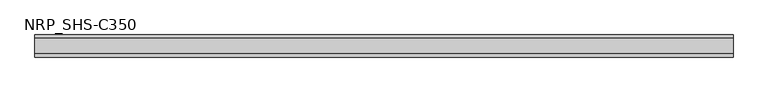
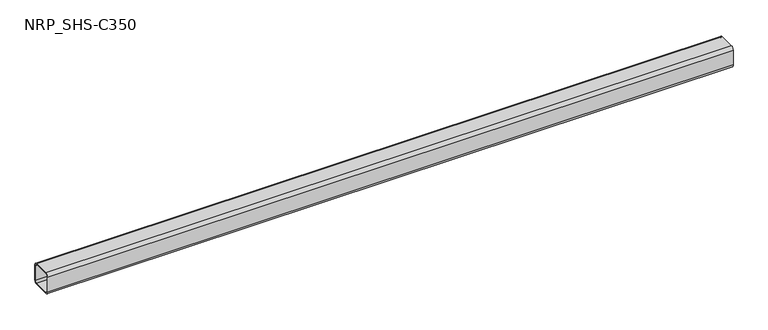
"""IFC4 building model written with IfcOpenShell, lengths in millimetres: member geometry, NRP_SHS-C350."""

import ifcopenshell
import ifcopenshell.guid

model = None  # the IFC model being written
_history = None  # IfcOwnerHistory: only IFC2X3 demands one
_inside = {}  # id of a spatial element -> (the spatial element, [elements in it])
_under = {}  # id of a project, library or spatial element -> (it, [spatial elements below it])
_declared = {}  # id of a project -> (the project, [libraries it declares])
_typed = {}  # id of a type object -> (the type object, [elements of that type])
_made_of = {}  # id of a material, layer set ... -> (it, [elements and type objects made of it])


def new_model(schema):
    """Start an empty IFC model of exactly this schema.

    Asked for "IFC4X3", IfcOpenShell would pick the latest addendum, in which some entities
    have other attributes; the version numbers below select the first issue.
    IFC2X3 requires an IfcOwnerHistory on every rooted entity: one is made here for all.
    """
    global model, _history
    if schema == "IFC4X3":
        model = ifcopenshell.file(schema_version=(4, 3, 0, 0))
    else:
        model = ifcopenshell.file(schema=schema)
    _inside.clear()
    _under.clear()
    _declared.clear()
    _typed.clear()
    _made_of.clear()
    _history = None
    if model.schema == "IFC2X3":
        org = make("IfcOrganization", Name="unknown")
        user = make(
            "IfcPersonAndOrganization",
            ThePerson=make("IfcPerson", FamilyName="unknown"),
            TheOrganization=org,
        )
        app = make(
            "IfcApplication",
            ApplicationDeveloper=org,
            Version="unknown",
            ApplicationFullName="unknown",
            ApplicationIdentifier="unknown",
        )
        _history = make(
            "IfcOwnerHistory",
            OwningUser=user,
            OwningApplication=app,
            ChangeAction="ADDED",
            CreationDate=0,
        )
    return model


def make(cls, **values):
    """One entity of the class cls with the attributes given. An attribute that is None is left unset."""
    return model.create_entity(
        cls, **{name: value for name, value in values.items() if value is not None}
    )


def rooted(cls, **values):
    """An entity with a GlobalId (a new one), such as an element, a storey or a relation."""
    return make(cls, GlobalId=ifcopenshell.guid.new(), OwnerHistory=_history, **values)


def si_unit(unit_type, name, prefix=None):
    """IfcSIUnit, for example si_unit("LENGTHUNIT", "METRE", prefix="MILLI")."""
    return make("IfcSIUnit", UnitType=unit_type, Prefix=prefix, Name=name)


def assignment(units):
    """IfcUnitAssignment: the units of a project."""
    return None if units is None else make("IfcUnitAssignment", Units=units)


def point(xyz):
    """IfcCartesianPoint."""
    return None if xyz is None else make("IfcCartesianPoint", Coordinates=xyz)


def direction(xyz):
    """IfcDirection."""
    return None if xyz is None else make("IfcDirection", DirectionRatios=xyz)


def frame(location, z_axis=None, x_axis=None):
    """IfcAxis2Placement3D, a coordinate frame: its origin and axes. An axis left out is left unset."""
    return make(
        "IfcAxis2Placement3D",
        Location=point(location),
        Axis=direction(z_axis),
        RefDirection=direction(x_axis),
    )


def frame_2d(location, x_axis=None):
    """IfcAxis2Placement2D, a coordinate frame in the plane: its origin and x axis."""
    return make(
        "IfcAxis2Placement2D", Location=point(location), RefDirection=direction(x_axis)
    )


def origin():
    """The frame at (0, 0, 0) with its axes left unset."""
    return frame((0.0, 0.0, 0.0))


def place(relative_to, where):
    """IfcLocalPlacement: puts the frame where relative to a parent placement (None: the world)."""
    return make(
        "IfcLocalPlacement", PlacementRelTo=relative_to, RelativePlacement=where
    )


def context(
    kind, dimensions, precision=None, world=None, true_north=None, identifier=None
):
    """IfcGeometricRepresentationContext, for example the 3D "Model" context."""
    return make(
        "IfcGeometricRepresentationContext",
        ContextIdentifier=identifier,
        ContextType=kind,
        CoordinateSpaceDimension=dimensions,
        Precision=precision,
        WorldCoordinateSystem=world,
        TrueNorth=true_north,
    )


def project(units=None, contexts=None):
    """IfcProject with its units and contexts."""
    return rooted(
        "IfcProject",
        Name="project",
        RepresentationContexts=contexts,
        UnitsInContext=assignment(units),
    )


def spatial(cls, under=None, at=None, **own):
    """A site, building, storey or space (cls), placed at a placement, below another one or the project."""
    s = rooted(cls, ObjectPlacement=at, **own)
    if under is not None:
        _under.setdefault(under.id(), (under, []))[1].append(s)
    return s


def polyline(points):
    """IfcPolyline through the points."""
    return make("IfcPolyline", Points=[point(p) for p in points])


def circle_curve(where, radius):
    """IfcCircle in the frame where."""
    return make("IfcCircle", Position=where, Radius=radius)


def trimmed(basis, trim1, trim2, sense, master):
    """IfcTrimmedCurve: the piece of a basis curve between two trims."""
    return make(
        "IfcTrimmedCurve",
        BasisCurve=basis,
        Trim1=trim1,
        Trim2=trim2,
        SenseAgreement=sense,
        MasterRepresentation=master,
    )


def segment(curve, same_sense, transition):
    """IfcCompositeCurveSegment."""
    return make(
        "IfcCompositeCurveSegment",
        Transition=transition,
        SameSense=same_sense,
        ParentCurve=curve,
    )


def composite_curve(segments, self_intersect=None):
    """IfcCompositeCurve: segments joined end to end."""
    return make("IfcCompositeCurve", Segments=segments, SelfIntersect=self_intersect)


def outline(outer, holes=None, kind="AREA"):
    """IfcArbitraryClosedProfileDef: a profile drawn as a closed curve; with holes, ...WithVoids."""
    if holes is None:
        return make("IfcArbitraryClosedProfileDef", ProfileType=kind, OuterCurve=outer)
    return make(
        "IfcArbitraryProfileDefWithVoids",
        ProfileType=kind,
        OuterCurve=outer,
        InnerCurves=holes,
    )


def extrude(swept, where, along, depth):
    """IfcExtrudedAreaSolid: the profile swept, set in the frame where, extruded along a direction by depth."""
    return make(
        "IfcExtrudedAreaSolid",
        SweptArea=swept,
        Position=where,
        ExtrudedDirection=direction(along),
        Depth=depth,
    )


def shape(context_of_items, identifier, shape_type, items):
    """IfcShapeRepresentation: the items that make up one representation, for example the "Body"."""
    return make(
        "IfcShapeRepresentation",
        ContextOfItems=context_of_items,
        RepresentationIdentifier=identifier,
        RepresentationType=shape_type,
        Items=items,
    )


def source(mapping_origin, context_of_items, identifier, shape_type, items):
    """IfcRepresentationMap: a shape defined once, which mapped items show again and again."""
    return make(
        "IfcRepresentationMap",
        MappingOrigin=mapping_origin,
        MappedRepresentation=shape(context_of_items, identifier, shape_type, items),
    )


def transform(
    local_origin,
    x_axis=None,
    y_axis=None,
    z_axis=None,
    scale=None,
    scale2=None,
    scale3=None,
    uniform=True,
):
    """IfcCartesianTransformationOperator3D, or its non-uniform kind. x_axis, y_axis, z_axis: its Axis1, 2, 3."""
    if uniform:
        return make(
            "IfcCartesianTransformationOperator3D",
            Axis1=direction(x_axis),
            Axis2=direction(y_axis),
            LocalOrigin=point(local_origin),
            Scale=scale,
            Axis3=direction(z_axis),
        )
    return make(
        "IfcCartesianTransformationOperator3DnonUniform",
        Axis1=direction(x_axis),
        Axis2=direction(y_axis),
        LocalOrigin=point(local_origin),
        Scale=scale,
        Axis3=direction(z_axis),
        Scale2=scale2,
        Scale3=scale3,
    )


def mapped(mapping_source, mapping_target):
    """IfcMappedItem: shows the shape of a source again, moved by a transform."""
    return make(
        "IfcMappedItem", MappingSource=mapping_source, MappingTarget=mapping_target
    )


def made_of(thing, what):
    """Note that an element or type object is made of a material, layer set ...; save() writes the relation."""
    if what is not None:
        _made_of.setdefault(what.id(), (what, []))[1].append(thing)
    return thing


def element(
    cls,
    number,
    at=None,
    inside=None,
    cuts=None,
    type_object=None,
    material=None,
    context=None,
    identifier="Body",
    shape_type=None,
    held_by="IfcProductDefinitionShape",
    body=None,
    shapes=None,
    **own,
):
    """One element of the class cls, such as IfcWall. Its Tag is "e" and its number.

    at: its placement. inside: the storey or other place that contains it. cuts: it is an
    opening in that element (IfcRelVoidsElement). A single representation is given by context,
    identifier, shape_type and body (its items); several are given by shapes. held_by: the class
    of the entity that holds the representations. save() writes the other relations.
    """
    e = rooted(cls, Tag="e%d" % number, ObjectPlacement=at, **own)
    if body is not None:
        shapes = [shape(context, identifier, shape_type, body)]
    if shapes is not None:
        e.Representation = make(held_by, Representations=shapes)
    if inside is not None:
        _inside.setdefault(inside.id(), (inside, []))[1].append(e)
    if cuts is not None:
        rooted(
            "IfcRelVoidsElement", RelatingBuildingElement=cuts, RelatedOpeningElement=e
        )
    if type_object is not None:
        _typed.setdefault(type_object.id(), (type_object, []))[1].append(e)
    return made_of(e, material)


def aggregate(whole, parts):
    """IfcRelAggregates: a whole, such as a stair, and the parts it consists of."""
    return rooted("IfcRelAggregates", RelatingObject=whole, RelatedObjects=parts)


def save(model, path):
    """Write the relations noted so far, then the file.

    IfcRelAggregates (storeys below a building ...), IfcRelContainedInSpatialStructure (elements
    in a storey), IfcRelDefinesByType, IfcRelAssociatesMaterial and IfcRelDeclares: one each for
    every whole, place, type object, material and project.
    """
    for whole, parts in _under.values():
        aggregate(whole, parts)
    for where, things in _inside.values():
        rooted(
            "IfcRelContainedInSpatialStructure",
            RelatedElements=things,
            RelatingStructure=where,
        )
    for kind, things in _typed.values():
        rooted("IfcRelDefinesByType", RelatedObjects=things, RelatingType=kind)
    for what, things in _made_of.values():
        rooted("IfcRelAssociatesMaterial", RelatedObjects=things, RelatingMaterial=what)
    for by, libraries in _declared.values():
        rooted("IfcRelDeclares", RelatingContext=by, RelatedDefinitions=libraries)
    model.write(path)


def nrp_shs_c350_cc42bdfa(model_context):
    return source(origin(), model_context, "Body", "SweptSolid", [
        extrude(outline(composite_curve([segment(trimmed(circle_curve(frame_2d((-32.0, 32.0)), 12.5), [point((-44.5, 32.0))], [point((-32.0, 44.5))], False, "CARTESIAN"), True, "CONTINUOUS"), segment(polyline([(-32.0, 44.5), (32.0, 44.5)]), True, "CONTINUOUS"), segment(trimmed(circle_curve(frame_2d((32.0, 32.0)), 12.5), [point((32.0, 44.5))], [point((44.5, 32.0))], False, "CARTESIAN"), True, "CONTINUOUS"), segment(polyline([(44.5, 32.0), (44.5, -32.0)]), True, "CONTINUOUS"), segment(trimmed(circle_curve(frame_2d((32.0, -32.0)), 12.5), [point((44.5, -32.0))], [point((32.0, -44.5))], False, "CARTESIAN"), True, "CONTINUOUS"), segment(polyline([(32.0, -44.5), (-32.0, -44.5)]), True, "CONTINUOUS"), segment(trimmed(circle_curve(frame_2d((-32.0, -32.0)), 12.5), [point((-32.0, -44.5))], [point((-44.5, -32.0))], False, "CARTESIAN"), True, "CONTINUOUS"), segment(polyline([(-44.5, -32.0), (-44.5, 32.0)]), True, "CONTINUOUS")], self_intersect=False), holes=[composite_curve([segment(polyline([(32.0, 39.5), (-32.0, 39.5)]), True, "CONTINUOUS"), segment(trimmed(circle_curve(frame_2d((-32.0, 32.0)), 7.5), [point((-32.0, 39.5))], [point((-39.5, 32.0))], True, "CARTESIAN"), True, "CONTINUOUS"), segment(polyline([(-39.5, 32.0), (-39.5, -32.0)]), True, "CONTINUOUS"), segment(trimmed(circle_curve(frame_2d((-32.0, -32.0)), 7.5), [point((-39.5, -32.0))], [point((-32.0, -39.5))], True, "CARTESIAN"), True, "CONTINUOUS"), segment(polyline([(-32.0, -39.5), (32.0, -39.5)]), True, "CONTINUOUS"), segment(trimmed(circle_curve(frame_2d((32.0, -32.0)), 7.5), [point((32.0, -39.5))], [point((39.5, -32.0))], True, "CARTESIAN"), True, "CONTINUOUS"), segment(polyline([(39.5, -32.0), (39.5, 32.0)]), True, "CONTINUOUS"), segment(trimmed(circle_curve(frame_2d((32.0, 32.0)), 7.5), [point((39.5, 32.0))], [point((32.0, 39.5))], True, "CARTESIAN"), True, "CONTINUOUS")], self_intersect=False)]), frame((-1374.5, 0.0, 0.0), z_axis=(1.0, 0.0, 0.0), x_axis=(0.0, 1.0, 0.0)), (0.0, 0.0, 1.0), 2812.0),
    ])


if __name__ == "__main__":
    model = new_model("IFC4")
    model_context = context("Model", 3, world=origin())
    ifc_project = project(units=[si_unit("LENGTHUNIT", "METRE", prefix="MILLI")], contexts=[model_context])
    site = spatial("IfcSite", under=ifc_project)
    building = spatial("IfcBuilding", under=site)
    placement = place(None, origin())
    nrp_shs_c350_shape = nrp_shs_c350_cc42bdfa(model_context)
    element("IfcMember", 1, ObjectType="NRP_SHS-C350", at=placement, inside=building, context=model_context, shape_type="MappedRepresentation", body=[
        mapped(nrp_shs_c350_shape, transform((0.0, 0.0, 0.0), x_axis=(1.0, 0.0, 0.0), y_axis=(0.0, 1.0, 0.0), z_axis=(0.0, 0.0, 1.0))),
    ])
    save(model, "model.ifc")
